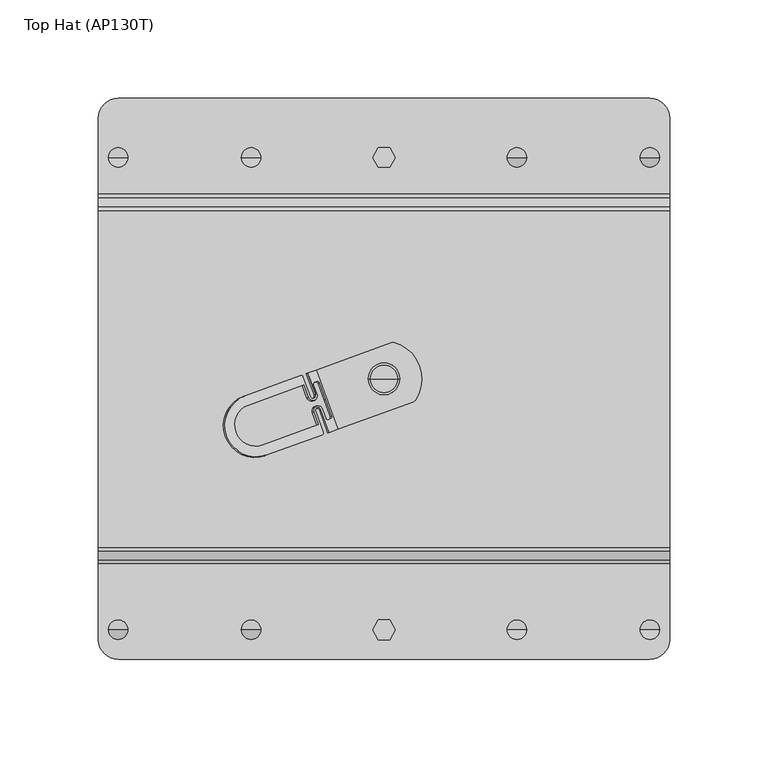
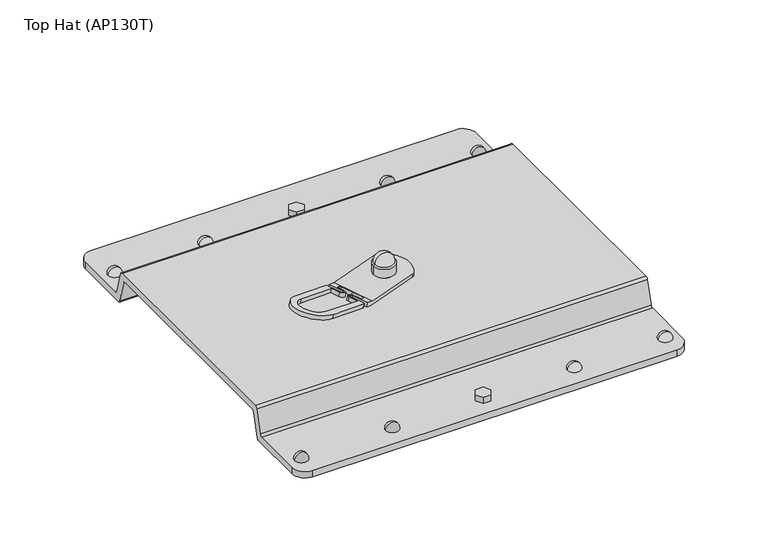
"""IFC4 building model written with IfcOpenShell, lengths in millimetres: proxy geometry, Top Hat (AP130T)."""

from ifc_helpers import new_model, si_unit, point, frame, origin, place, context, project, spatial, polyline, circle_curve, ellipse_curve, trimmed, outline, extrude, source, transform, mapped, element, save
from ifc_brep_helpers import plane_surface, cylinder_surface, revolved_surface, advanced_brep


def top_hat_ap130t_191c0f06(model_context):
    return source(origin(), model_context, "Body", "SolidModel", [
        advanced_brep(
        [(145.0, -82.198019, 0.0), (145.0, -80.2661674, 1.4823619), (145.0, -75.7015789, 18.5176381), (145.0, -73.7697272, 20.0), (145.0, 89.7697272, 20.0), (145.0, 91.7015789, 18.5176381), (145.0, 96.2661674, 1.4823619), (145.0, 98.198019, 0.0), (145.0, 140.5, 0.0), (145.0, 140.5, 5.0), (145.0, 102.034654, 5.0), (145.0, 100.1028023, 6.4823619), (145.0, 95.5382138, 23.5176381), (145.0, 93.6063622, 25.0), (145.0, -77.6063622, 25.0), (145.0, -79.5382138, 23.5176381), (145.0, -84.1028023, 6.4823619), (145.0, -86.034654, 5.0), (145.0, -124.5, 5.0), (145.0, -124.5, 0.0), (-145.0, -86.034654, 5.0), (-145.0, -84.1028023, 6.4823619), (-145.0, -79.5382138, 23.5176381), (-145.0, -77.6063622, 25.0), (-145.0, 93.6063622, 25.0), (-145.0, 95.5382138, 23.5176381), (-145.0, 100.1028023, 6.4823619), (-145.0, 102.034654, 5.0), (-145.0, 140.5, 5.0), (-145.0, 140.5, 0.0), (-145.0, 98.198019, 0.0), (-145.0, 96.2661674, 1.4823619), (-145.0, 91.7015789, 18.5176381), (-145.0, 89.7697272, 20.0), (-145.0, -73.7697272, 20.0), (-145.0, -75.7015789, 18.5176381), (-145.0, -80.2661674, 1.4823619), (-145.0, -82.198019, 0.0), (-145.0, -124.5, 0.0), (-145.0, -124.5, 5.0), (-135.0, -134.5, 5.0), (135.0, -134.5, 5.0), (-135.0, -134.5, 0.0), (135.0, -134.5, 0.0), (-135.0, 150.5, 0.0), (135.0, 150.5, 0.0), (-135.0, 150.5, 5.0), (135.0, 150.5, 5.0)],
        [
            (0, 1, circle_curve(frame((145.0, -82.198019, 2.0), z_axis=(1.0, 0.0, 0.0), x_axis=(0.0, 1.0, 0.0)), 2.0)),
            (1, 2),
            (2, 3, circle_curve(frame((145.0, -73.7697272, 18.0), z_axis=(-1.0, 0.0, 0.0), x_axis=(0.0, 1.0, 0.0)), 2.0)),
            (3, 4),
            (4, 5, circle_curve(frame((145.0, 89.7697272, 18.0), z_axis=(-1.0, 0.0, 0.0), x_axis=(0.0, 1.0, 0.0)), 2.0)),
            (5, 6),
            (6, 7, circle_curve(frame((145.0, 98.198019, 2.0), z_axis=(1.0, 0.0, 0.0), x_axis=(0.0, 1.0, 0.0)), 2.0)),
            (7, 8),
            (8, 9),
            (9, 10),
            (10, 11, circle_curve(frame((145.0, 102.034654, 7.0), z_axis=(-1.0, 0.0, 0.0), x_axis=(0.0, 1.0, 0.0)), 2.0)),
            (11, 12),
            (12, 13, circle_curve(frame((145.0, 93.6063622, 23.0), z_axis=(1.0, 0.0, 0.0), x_axis=(0.0, 1.0, 0.0)), 2.0)),
            (13, 14),
            (14, 15, circle_curve(frame((145.0, -77.6063622, 23.0), z_axis=(1.0, 0.0, 0.0), x_axis=(0.0, 1.0, 0.0)), 2.0)),
            (15, 16),
            (16, 17, circle_curve(frame((145.0, -86.034654, 7.0), z_axis=(-1.0, 0.0, 0.0), x_axis=(0.0, 1.0, 0.0)), 2.0)),
            (17, 18),
            (18, 19),
            (19, 0),
            (20, 21, circle_curve(frame((-145.0, -86.034654, 7.0), z_axis=(1.0, 0.0, 0.0), x_axis=(0.0, 1.0, 0.0)), 2.0)),
            (21, 22),
            (22, 23, circle_curve(frame((-145.0, -77.6063622, 23.0), z_axis=(-1.0, 0.0, 0.0), x_axis=(0.0, 1.0, 0.0)), 2.0)),
            (23, 24),
            (24, 25, circle_curve(frame((-145.0, 93.6063622, 23.0), z_axis=(-1.0, 0.0, 0.0), x_axis=(0.0, 1.0, 0.0)), 2.0)),
            (25, 26),
            (26, 27, circle_curve(frame((-145.0, 102.034654, 7.0), z_axis=(1.0, 0.0, 0.0), x_axis=(0.0, 1.0, 0.0)), 2.0)),
            (27, 28),
            (28, 29),
            (29, 30),
            (30, 31, circle_curve(frame((-145.0, 98.198019, 2.0), z_axis=(-1.0, 0.0, 0.0), x_axis=(0.0, 1.0, 0.0)), 2.0)),
            (31, 32),
            (32, 33, circle_curve(frame((-145.0, 89.7697272, 18.0), z_axis=(1.0, 0.0, 0.0), x_axis=(0.0, 1.0, 0.0)), 2.0)),
            (33, 34),
            (34, 35, circle_curve(frame((-145.0, -73.7697272, 18.0), z_axis=(1.0, 0.0, 0.0), x_axis=(0.0, 1.0, 0.0)), 2.0)),
            (35, 36),
            (36, 37, circle_curve(frame((-145.0, -82.198019, 2.0), z_axis=(-1.0, 0.0, 0.0), x_axis=(0.0, 1.0, 0.0)), 2.0)),
            (37, 38),
            (38, 39),
            (39, 20),
            (17, 20),
            (39, 40, circle_curve(frame((-135.0, -124.5, 5.0), z_axis=(0.0, 0.0, 1.0), x_axis=(1.0, 0.0, 0.0)), 10.0)),
            (40, 41),
            (41, 18, circle_curve(frame((135.0, -124.5, 5.0), z_axis=(0.0, 0.0, 1.0), x_axis=(1.0, 0.0, 0.0)), 10.0)),
            (40, 42),
            (42, 43),
            (43, 41),
            (37, 0),
            (19, 43, circle_curve(frame((135.0, -124.5, 0.0), z_axis=(0.0, 0.0, -1.0), x_axis=(1.0, 0.0, 0.0)), 10.0)),
            (42, 38, circle_curve(frame((-135.0, -124.5, 0.0), z_axis=(0.0, 0.0, -1.0), x_axis=(1.0, 0.0, 0.0)), 10.0)),
            (36, 1),
            (35, 2),
            (34, 3),
            (33, 4),
            (32, 5),
            (31, 6),
            (30, 7),
            (29, 44, circle_curve(frame((-135.0, 140.5, 0.0), z_axis=(0.0, 0.0, -1.0), x_axis=(1.0, 0.0, 0.0)), 10.0)),
            (44, 45),
            (45, 8, circle_curve(frame((135.0, 140.5, 0.0), z_axis=(0.0, 0.0, -1.0), x_axis=(1.0, 0.0, 0.0)), 10.0)),
            (44, 46),
            (46, 47),
            (47, 45),
            (27, 10),
            (9, 47, circle_curve(frame((135.0, 140.5, 5.0), z_axis=(0.0, 0.0, 1.0), x_axis=(1.0, 0.0, 0.0)), 10.0)),
            (46, 28, circle_curve(frame((-135.0, 140.5, 5.0), z_axis=(0.0, 0.0, 1.0), x_axis=(1.0, 0.0, 0.0)), 10.0)),
            (26, 11),
            (25, 12),
            (24, 13),
            (23, 14),
            (22, 15),
            (21, 16),
        ],
        [
            plane_surface(frame((145.0, -134.5, 5.0), z_axis=(1.0, 0.0, 0.0), x_axis=(0.0, -1.0, 0.0))),
            plane_surface(frame((-145.0, -134.5, 5.0), z_axis=(-1.0, 0.0, 0.0), x_axis=(0.0, 1.0, 0.0))),
            plane_surface(frame((145.0, -86.034654, 5.0), z_axis=(0.0, 0.0, 1.0), x_axis=(-1.0, 0.0, 0.0))),
            plane_surface(frame((145.0, -134.5, 5.0), z_axis=(0.0, -1.0, 0.0), x_axis=(-1.0, 0.0, 0.0))),
            plane_surface(frame((145.0, -134.5, 0.0), z_axis=(0.0, 0.0, -1.0), x_axis=(-1.0, 0.0, 0.0))),
            cylinder_surface(frame((-145.0, -82.198019, 2.0), z_axis=(1.0, 0.0, 0.0), x_axis=(0.0, 1.0, 0.0)), 2.0),
            plane_surface(frame((145.0, -80.2661674, 1.4823619), z_axis=(0.0, 0.9659258262890748, -0.2588190451024967), x_axis=(-1.0, 0.0, 0.0))),
            revolved_surface(polyline([(-145.0, -71.7697272, 18.0), (145.0, -71.7697272, 18.0)]), (-145.0, -73.7697272, 18.0), (-1.0, 0.0, 0.0)),
            plane_surface(frame((145.0, -73.7697272, 20.0), z_axis=(0.0, 0.0, -1.0), x_axis=(-1.0, 0.0, 0.0))),
            revolved_surface(polyline([(-145.0, 91.7697272, 18.0), (145.0, 91.7697272, 18.0)]), (-145.0, 89.7697272, 18.0), (-1.0, 0.0, 0.0)),
            plane_surface(frame((145.0, 91.7015789, 18.5176381), z_axis=(0.0, -0.9659258262891268, -0.2588190451023024), x_axis=(-1.0, 0.0, 0.0))),
            cylinder_surface(frame((-145.0, 98.198019, 2.0), z_axis=(1.0, 0.0, 0.0), x_axis=(0.0, 1.0, 0.0)), 2.0),
            plane_surface(frame((145.0, 98.198019, 0.0), z_axis=(0.0, 0.0, -1.0), x_axis=(-1.0, 0.0, 0.0))),
            plane_surface(frame((145.0, 150.5, 0.0), z_axis=(0.0, 1.0, 0.0), x_axis=(-1.0, 0.0, 0.0))),
            plane_surface(frame((145.0, 150.5, 5.0), z_axis=(0.0, 0.0, 1.0), x_axis=(-1.0, 0.0, 0.0))),
            revolved_surface(polyline([(-145.0, 104.034654, 7.0), (145.0, 104.034654, 7.0)]), (-145.0, 102.034654, 7.0), (-1.0, 0.0, 0.0)),
            plane_surface(frame((145.0, 100.1028023, 6.4823619), z_axis=(0.0, 0.96592582628907, 0.2588190451025149), x_axis=(-1.0, 0.0, 0.0))),
            cylinder_surface(frame((-145.0, 93.6063622, 23.0), z_axis=(1.0, 0.0, 0.0), x_axis=(0.0, 1.0, 0.0)), 2.0),
            plane_surface(frame((145.0, 93.6063622, 25.0), z_axis=(0.0, 0.0, 1.0), x_axis=(-1.0, 0.0, 0.0))),
            cylinder_surface(frame((-145.0, -77.6063622, 23.0), z_axis=(1.0, 0.0, 0.0), x_axis=(0.0, 1.0, 0.0)), 2.0),
            plane_surface(frame((145.0, -79.5382138, 23.5176381), z_axis=(0.0, -0.9659258262890676, 0.25881904510252335), x_axis=(-1.0, 0.0, 0.0))),
            revolved_surface(polyline([(-145.0, -84.034654, 7.0), (145.0, -84.034654, 7.0)]), (-145.0, -86.034654, 7.0), (-1.0, 0.0, 0.0)),
            cylinder_surface(frame((-135.0, 140.5, 5.0), z_axis=(0.0, 0.0, 1.0), x_axis=(1.0, 0.0, 0.0)), 10.0),
            cylinder_surface(frame((135.0, 140.5, 5.0), z_axis=(0.0, 0.0, 1.0), x_axis=(1.0, 0.0, 0.0)), 10.0),
            cylinder_surface(frame((-135.0, -124.5, 5.0), z_axis=(0.0, 0.0, 1.0), x_axis=(1.0, 0.0, 0.0)), 10.0),
            cylinder_surface(frame((135.0, -124.5, 5.0), z_axis=(0.0, 0.0, 1.0), x_axis=(1.0, 0.0, 0.0)), 10.0),
        ],
        [
            (0, [[1, 2, 3, 4, 5, 6, 7, 8, 9, 10, 11, 12, 13, 14, 15, 16, 17, 18, 19, 20]]),
            (1, [[21, 22, 23, 24, 25, 26, 27, 28, 29, 30, 31, 32, 33, 34, 35, 36, 37, 38, 39, 40]]),
            (2, [[41, -40, 42, 43, 44, -18]]),
            (3, [[-43, 45, 46, 47]]),
            (4, [[48, -20, 49, -46, 50, -38]]),
            (5, [[-1, -48, -37, 51]]),
            (6, [[-2, -51, -36, 52]]),
            (7, [[-3, -52, -35, 53]]),
            (8, [[-4, -53, -34, 54]]),
            (9, [[-5, -54, -33, 55]]),
            (10, [[-6, -55, -32, 56]]),
            (11, [[-7, -56, -31, 57]]),
            (12, [[-57, -30, 58, 59, 60, -8]]),
            (13, [[-59, 61, 62, 63]]),
            (14, [[64, -10, 65, -62, 66, -28]]),
            (15, [[-11, -64, -27, 67]]),
            (16, [[-12, -67, -26, 68]]),
            (17, [[-13, -68, -25, 69]]),
            (18, [[-14, -69, -24, 70]]),
            (19, [[-15, -70, -23, 71]]),
            (20, [[-16, -71, -22, 72]]),
            (21, [[-17, -72, -21, -41]]),
            (22, [[-29, -66, -61, -58]]),
            (23, [[-9, -60, -63, -65]]),
            (24, [[-39, -50, -45, -42]]),
            (25, [[-19, -44, -47, -49]]),
        ],
    ),
        advanced_brep(
        [(14.7843745, -3.6457721, 28.0), (15.7444666, -2.9051707, 28.0), (5.0526834, 26.4738022, 28.0), (3.8410114, 26.4240413, 28.0), (-34.2476637, 12.5608973, 28.0), (-23.3032816, -17.5085452, 28.0), (-8.0, 8.0, 28.0), (8.0, 8.0, 28.0), (14.7843745, -3.6457721, 25.0), (-23.3032816, -17.5085452, 25.0), (-34.2479262, 12.5616186, 25.0), (3.8410114, 26.4240413, 25.0), (5.0526834, 26.4738022, 25.0), (15.7444666, -2.9051707, 25.0), (-39.4781137, 10.6579861, 26.4806725), (-38.7708323, 10.9154154, 29.2896867), (-43.1105517, 9.3358868, 27.5090201), (-71.4845481, -0.9914034, 35.5417333), (-70.7618952, -0.7283792, 38.4117967), (-42.4015258, 9.5939511, 30.3249628), (-27.8261877, -19.1547484, 29.2896867), (-28.5334691, -19.4121778, 26.4806725), (-31.4568812, -20.4762128, 30.3249628), (-59.8172506, -30.7985431, 38.4117967), (-60.5399035, -31.0615672, 35.5417333), (-32.1659071, -20.7342771, 27.5090201), (-34.7738146, -0.0663005, 29.2896867), (-37.4968347, -1.0573988, 30.0661438), (-41.1518323, 8.9846246, 30.0661438), (-79.8123469, -21.0493186, 42.5529014), (-30.891228, -19.2061541, 30.0661438), (-34.7495197, -8.6055847, 30.0661438), (-32.0264996, -7.6144864, 29.2896867), (-32.8378152, 5.9418822, 28.2516076), (-29.7596339, -2.5153514, 28.2516076), (-26.6814526, -10.972585, 28.2516076), (-27.2471058, -12.2426437, 28.5104266), (-28.1646089, -12.5765875, 28.7720486), (-29.4143024, -11.9672609, 29.0308676), (-31.1188262, -7.2841203, 29.0308676), (-35.6571931, -8.9359507, 30.3249628), (-33.3702761, -15.2192036, 30.3249628), (-61.7306455, -25.5415339, 38.4117967), (-69.0517945, -5.4268423, 38.4117967), (-40.6914251, 4.895488, 30.3249628), (-38.4045081, -1.3877649, 30.3249628), (-33.8661412, 0.2640656, 29.0308676), (-35.570665, 4.9472062, 29.0308676), (-35.0050118, 6.2172649, 28.7720486), (-34.0875087, 6.5512087, 28.5104266), (-32.7337809, -7.8719157, 26.4806725), (-35.4581095, -8.8634902, 27.2519332), (-31.5998177, -19.4640596, 27.2519332), (-80.5419779, -21.3148826, 39.6551239), (-41.860422, 8.726719, 27.2519332), (-38.2054244, -1.3153044, 27.2519332), (-35.4810959, -0.3237299, 26.4806725), (-30.465166, -2.7721441, 25.4495407), (-33.5433473, 5.6850895, 25.4495407), (-34.7934769, 6.2942573, 25.7066276), (-35.7114209, 5.9601531, 25.9664986), (-36.2775102, 4.6899356, 26.2235856), (-34.5729864, 0.006795, 26.2235856), (-39.1135339, -1.6458292, 27.5090201), (-41.400451, 4.6374237, 27.5090201), (-69.7744474, -5.6898665, 35.5417333), (-62.4532984, -25.804558, 35.5417333), (-34.079302, -15.4772679, 27.5090201), (-36.366219, -9.1940151, 27.5090201), (-31.8256714, -7.5413909, 26.2235856), (-30.1211476, -12.2245316, 26.2235856), (-28.871018, -12.8336994, 25.9664986), (-27.9530741, -12.4995951, 25.7066276), (-27.3869847, -11.2293776, 25.4495407), (-8.0, 8.0, 34.5291044), (8.0, 8.0, 34.5291044), (-7.0, 8.0, 35.5291044), (7.0, 8.0, 35.5291044), (0.0, 8.0, 42.2894984)],
        [
            (0, 1, circle_curve(frame((14.1003342, -1.7663869, 28.0), z_axis=(0.0, 0.0, 1.0), x_axis=(-1.0, 0.0, 0.0)), 2.0)),
            (1, 2, circle_curve(frame((0.0, 8.0, 28.0), z_axis=(0.0, 0.0, 1.0), x_axis=(-1.0, 0.0, 0.0)), 19.15231)),
            (2, 3, circle_curve(frame((4.5250517, 24.5446561, 28.0), z_axis=(0.0, 0.0, 1.0), x_axis=(-1.0, 0.0, 0.0)), 2.0)),
            (3, 4),
            (4, 5),
            (5, 0),
            (6, 7, circle_curve(frame((0.0, 8.0, 28.0), z_axis=(0.0, 0.0, -1.0), x_axis=(-1.0, 0.0, 0.0)), 8.0)),
            (7, 6, circle_curve(frame((0.0, 8.0, 28.0), z_axis=(0.0, 0.0, -1.0), x_axis=(-1.0, 0.0, 0.0)), 8.0)),
            (8, 9),
            (9, 10),
            (10, 11),
            (11, 12, circle_curve(frame((4.5250517, 24.5446561, 25.0), z_axis=(0.0, 0.0, -1.0), x_axis=(-1.0, 0.0, 0.0)), 2.0)),
            (12, 13, circle_curve(frame((0.0, 8.0, 25.0), z_axis=(0.0, 0.0, -1.0), x_axis=(-1.0, 0.0, 0.0)), 19.15231)),
            (13, 8, circle_curve(frame((14.1003342, -1.7663869, 25.0), z_axis=(0.0, 0.0, -1.0), x_axis=(-1.0, 0.0, 0.0)), 2.0)),
            (1, 13),
            (12, 2),
            (0, 8),
            (11, 3),
            (10, 14),
            (14, 15),
            (15, 4),
            (16, 17),
            (17, 18),
            (18, 19),
            (19, 16),
            (5, 20),
            (20, 21),
            (21, 9),
            (22, 23),
            (23, 24),
            (24, 25),
            (25, 22),
            (15, 26),
            (26, 27, circle_curve(frame((-36.1353246, -0.5618497, 29.6779152), z_axis=(-0.2432103468017011, -0.08852132690137798, -0.9659258262890664), x_axis=(-0.9076733711903694, -0.3303660895493447, 0.25881904510252784)), 1.5)),
            (27, 28),
            (28, 19, circle_curve(frame((-42.0595057, 8.6542585, 30.3249628), z_axis=(0.2432103468017011, 0.08852132690137798, 0.9659258262890664), x_axis=(-0.9076733711903694, -0.3303660895493447, 0.25881904510252784)), 1.0)),
            (18, 29, circle_curve(frame((-65.2895729, -15.7634612, 38.4117967), z_axis=(0.2432103468017011, 0.08852132690137798, 0.9659258262890664), x_axis=(-0.9076733711903694, -0.3303660895493447, 0.25881904510252784)), 16.0)),
            (29, 23, circle_curve(frame((-65.2895729, -15.7634612, 38.4117967), z_axis=(0.2432103468017011, 0.08852132690137798, 0.9659258262890664), x_axis=(-0.9076733711903694, -0.3303660895493447, 0.25881904510252784)), 16.0)),
            (22, 30, circle_curve(frame((-31.7989014, -19.5365202, 30.3249628), z_axis=(0.2432103468017011, 0.08852132690137798, 0.9659258262890664), x_axis=(-0.9076733711903694, -0.3303660895493447, 0.25881904510252784)), 1.0)),
            (30, 31),
            (31, 32, circle_curve(frame((-33.3880097, -8.1100355, 29.6779152), z_axis=(-0.2432103468017011, -0.08852132690137798, -0.9659258262890664), x_axis=(-0.9076733711903694, -0.3303660895493447, 0.25881904510252784)), 1.5)),
            (32, 20),
            (33, 34),
            (34, 35),
            (35, 36, circle_curve(frame((-27.589126, -11.302951, 28.5104266), z_axis=(-0.2432103468017011, -0.08852132690137798, -0.9659258262890664), x_axis=(-0.9076733711903694, -0.3303660895493447, 0.25881904510252784)), 1.0)),
            (36, 37),
            (37, 38, circle_curve(frame((-28.5066291, -11.6368949, 28.7720486), z_axis=(-0.2432103468017011, -0.08852132690137798, -0.9659258262890664), x_axis=(-0.9076733711903694, -0.3303660895493447, 0.25881904510252784)), 1.0)),
            (38, 39),
            (39, 40, circle_curve(frame((-33.3880097, -8.1100355, 29.6779152), z_axis=(0.2432103468017011, 0.08852132690137798, 0.9659258262890664), x_axis=(-0.9076733711903694, -0.3303660895493447, 0.25881904510252784)), 2.5)),
            (40, 41),
            (41, 42),
            (42, 43, circle_curve(frame((-65.39122, -15.4841881, 38.4117967), z_axis=(-0.2432103468017011, -0.08852132690137798, -0.9659258262890664), x_axis=(-0.9076733711903694, -0.3303660895493447, 0.25881904510252784)), 10.7028038)),
            (43, 44),
            (44, 45),
            (45, 46, circle_curve(frame((-36.1353246, -0.5618497, 29.6779152), z_axis=(0.2432103468017011, 0.08852132690137798, 0.9659258262890664), x_axis=(-0.9076733711903694, -0.3303660895493447, 0.25881904510252784)), 2.5)),
            (46, 47),
            (47, 48, circle_curve(frame((-34.6629916, 5.2775723, 28.7720486), z_axis=(-0.2432103468017011, -0.08852132690137798, -0.9659258262890664), x_axis=(-0.9076733711903694, -0.3303660895493447, 0.25881904510252784)), 1.0)),
            (48, 49),
            (49, 33, circle_curve(frame((-33.7454886, 5.6115161, 28.5104266), z_axis=(-0.2432103468017011, -0.08852132690137798, -0.9659258262890664), x_axis=(-0.9076733711903694, -0.3303660895493447, 0.25881904510252784)), 1.0)),
            (21, 50),
            (50, 51, ellipse_curve(frame((-34.0959452, -8.367703, 26.8663028), z_axis=(0.241582287254047, 0.08792876168641896, 0.9663883957050583), x_axis=(0.9081080442571371, 0.3305242976073163, -0.25708650031977087)), 1.5000024, 1.5)),
            (51, 52),
            (52, 25, ellipse_curve(frame((-32.5079272, -19.7945845, 27.5090201), z_axis=(-0.241582287254047, -0.08792876168641896, -0.9663883957050583), x_axis=(-0.9081080442571371, -0.3305242976073163, 0.25708650031977087)), 1.0000016, 1.0)),
            (24, 53, ellipse_curve(frame((-66.0122258, -16.0264853, 35.5417333), z_axis=(-0.241582287254047, -0.08792876168641896, -0.9663883957050583), x_axis=(-0.9081080442571371, -0.3305242976073163, 0.25708650031977087)), 16.0000257, 16.0)),
            (53, 17, ellipse_curve(frame((-66.0122258, -16.0264853, 35.5417333), z_axis=(-0.241582287254047, -0.08792876168641896, -0.9663883957050583), x_axis=(-0.9081080442571371, -0.3305242976073163, 0.25708650031977087)), 16.0000257, 16.0)),
            (16, 54, ellipse_curve(frame((-42.7685315, 8.3961941, 27.5090201), z_axis=(-0.241582287254047, -0.08792876168641896, -0.9663883957050583), x_axis=(-0.9081080442571371, -0.3305242976073163, 0.25708650031977087)), 1.0000016, 1.0)),
            (54, 55),
            (55, 56, ellipse_curve(frame((-36.8432602, -0.8195171, 26.8663028), z_axis=(0.241582287254047, 0.08792876168641896, 0.9663883957050583), x_axis=(0.9081080442571371, 0.3305242976073163, -0.25708650031977087)), 1.5000024, 1.5)),
            (56, 14),
            (57, 58),
            (58, 59, ellipse_curve(frame((-34.4514568, 5.3545647, 25.7066276), z_axis=(0.241582287254047, 0.08792876168641896, 0.9663883957050583), x_axis=(0.9081080442571371, 0.3305242976073163, -0.25708650031977087)), 1.0000016, 1.0)),
            (59, 60),
            (60, 61, ellipse_curve(frame((-35.3694007, 5.0204604, 25.9664986), z_axis=(0.241582287254047, 0.08792876168641896, 0.9663883957050583), x_axis=(0.9081080442571371, 0.3305242976073163, -0.25708650031977087)), 1.0000016, 1.0)),
            (61, 62),
            (62, 63, ellipse_curve(frame((-36.8432602, -0.8195171, 26.8663028), z_axis=(-0.241582287254047, -0.08792876168641896, -0.9663883957050583), x_axis=(-0.9081080442571371, -0.3305242976073163, 0.25708650031977087)), 2.500004, 2.5)),
            (63, 64),
            (64, 65),
            (65, 66, ellipse_curve(frame((-66.1138729, -15.7472123, 35.5417333), z_axis=(0.241582287254047, 0.08792876168641896, 0.9663883957050583), x_axis=(0.9081080442571371, 0.3305242976073163, -0.25708650031977087)), 10.702821, 10.7028038)),
            (66, 67),
            (67, 68),
            (68, 69, ellipse_curve(frame((-34.0959452, -8.367703, 26.8663028), z_axis=(-0.241582287254047, -0.08792876168641896, -0.9663883957050583), x_axis=(-0.9081080442571371, -0.3305242976073163, 0.25708650031977087)), 2.500004, 2.5)),
            (69, 70),
            (70, 71, ellipse_curve(frame((-29.2130381, -11.8940067, 25.9664986), z_axis=(0.241582287254047, 0.08792876168641896, 0.9663883957050583), x_axis=(0.9081080442571371, 0.3305242976073163, -0.25708650031977087)), 1.0000016, 1.0)),
            (71, 72),
            (72, 73, ellipse_curve(frame((-28.2950942, -11.5599025, 25.7066276), z_axis=(0.241582287254047, 0.08792876168641896, 0.9663883957050583), x_axis=(0.9081080442571371, 0.3305242976073163, -0.25708650031977087)), 1.0000016, 1.0)),
            (73, 57),
            (57, 34),
            (33, 58),
            (59, 49),
            (48, 60),
            (61, 47),
            (46, 62),
            (45, 63),
            (44, 64),
            (43, 65),
            (67, 41),
            (40, 68),
            (39, 69),
            (38, 70),
            (71, 37),
            (36, 72),
            (73, 35),
            (54, 28),
            (27, 55),
            (26, 56),
            (32, 50),
            (31, 51),
            (30, 52),
            (66, 42),
            (74, 75, circle_curve(frame((0.0, 8.0, 34.5291044), z_axis=(0.0, 0.0, -1.0), x_axis=(-1.0, 0.0, 0.0)), 8.0)),
            (75, 7),
            (6, 74),
            (75, 74, circle_curve(frame((0.0, 8.0, 34.5291044), z_axis=(0.0, 0.0, -1.0), x_axis=(-1.0, 0.0, 0.0)), 8.0)),
            (74, 76, circle_curve(frame((-7.0, 8.0, 34.5291044), z_axis=(0.0, 1.0, 0.0), x_axis=(1.0, 0.0, 0.0)), 1.0)),
            (76, 77, circle_curve(frame((0.0, 8.0, 35.5291044), z_axis=(0.0, 0.0, -1.0), x_axis=(-1.0, 0.0, 0.0)), 7.0)),
            (77, 75, circle_curve(frame((7.0, 8.0, 34.5291044), z_axis=(0.0, 1.0, 0.0), x_axis=(-1.0, 0.0, 0.0)), 1.0)),
            (77, 76, circle_curve(frame((0.0, 8.0, 35.5291044), z_axis=(0.0, 0.0, -1.0), x_axis=(-1.0, 0.0, 0.0)), 7.0)),
            (76, 78, circle_curve(frame((-0.2355052, 8.0, 35.5291044), z_axis=(0.0, 1.0, 0.0), x_axis=(1.0, 0.0, 0.0)), 6.7644948)),
            (78, 77, circle_curve(frame((0.2355052, 8.0, 35.5291044), z_axis=(0.0, 1.0, 0.0), x_axis=(-1.0, 0.0, 0.0)), 6.7644948)),
        ],
        [
            plane_surface(frame((12.1003342, -1.7663869, 28.0), z_axis=(0.0, 0.0, 1.0), x_axis=(0.0, -1.0, 0.0))),
            plane_surface(frame((12.1003342, -1.7663869, 25.0), z_axis=(0.0, 0.0, -1.0), x_axis=(0.0, 1.0, 0.0))),
            cylinder_surface(frame((0.0, 8.0, 25.0), z_axis=(0.0, 0.0, 1.0), x_axis=(-1.0, 0.0, 0.0)), 19.15231),
            cylinder_surface(frame((14.1003342, -1.7663869, 25.0), z_axis=(0.0, 0.0, 1.0), x_axis=(-1.0, 0.0, 0.0)), 2.0),
            cylinder_surface(frame((4.5250517, 24.5446561, 25.0), z_axis=(0.0, 0.0, 1.0), x_axis=(-1.0, 0.0, 0.0)), 2.0),
            plane_surface(frame((-34.2479262, 12.5616186, 28.0), z_axis=(-0.34202014332566183, 0.939692620785911, 0.0), x_axis=(0.0, 0.0, -1.0))),
            plane_surface(frame((-23.3032816, -17.5085452, 28.0), z_axis=(0.34202014332566183, -0.939692620785911, 0.0), x_axis=(0.0, 0.0, 1.0))),
            plane_surface(frame((-23.3032816, -17.5085452, 28.0), z_axis=(0.24321034680170112, 0.08852132690137798, 0.9659258262890665), x_axis=(-0.3420201433256618, 0.939692620785911, 0.0))),
            plane_surface(frame((-75.0696556, -36.3499645, 39.6551239), z_axis=(-0.241582287254047, -0.08792876168641896, -0.9663883957050583), x_axis=(-0.34202014332566166, 0.9396926207859111, 0.0))),
            plane_surface(frame((-28.8097871, -2.1696354, 32.0239864), z_axis=(-0.9076733711903692, -0.33036608954934527, 0.25881904510252796), x_axis=(-0.24321034680170123, -0.08852132690137797, -0.9659258262890664))),
            plane_surface(frame((-33.1376619, 6.8969247, 32.2828054), z_axis=(0.3420201433256471, -0.9396926207859164, 0.0), x_axis=(-0.24321034680170123, -0.08852132690137797, -0.9659258262890664))),
            plane_surface(frame((-34.6208182, 5.2929222, 32.8032464), z_axis=(0.9076733711903667, 0.3303660895493522, -0.25881904510252796), x_axis=(-0.24321034680170123, -0.08852132690137797, -0.9659258262890664))),
            cylinder_surface(frame((-38.2377304, -1.3270628, 21.3280732), z_axis=(-0.2432103468017011, -0.08852132690137798, -0.9659258262890664), x_axis=(-0.9076733711903694, -0.3303660895493447, 0.25881904510252784)), 2.5),
            plane_surface(frame((-37.4546613, -1.0420489, 34.0973416), z_axis=(-0.9076733711903692, -0.3303660895493453, 0.258819045102528), x_axis=(-0.24321034680170123, -0.08852132690137797, -0.9659258262890664))),
            plane_surface(frame((-39.7415783, 5.2412039, 34.0973416), z_axis=(0.3420201433256614, -0.9396926207859113, 0.0), x_axis=(-0.24321034680170123, -0.08852132690137797, -0.9659258262890664))),
            plane_surface(frame((-32.4204293, -14.8734876, 34.0973416), z_axis=(-0.9076733711903738, -0.3303660895493328, 0.25881904510252796), x_axis=(-0.24321034680170123, -0.0885213269013778, -0.9659258262890664))),
            cylinder_surface(frame((-35.4904154, -8.8752486, 21.3280732), z_axis=(-0.2432103468017011, -0.08852132690137798, -0.9659258262890664), x_axis=(-0.9076733711903694, -0.3303660895493447, 0.25881904510252784)), 2.5),
            plane_surface(frame((-30.1689794, -6.9384043, 32.8032464), z_axis=(0.9076733711903776, 0.3303660895493221, -0.25881904510252784), x_axis=(-0.24321034680170114, -0.08852132690137778, -0.9659258262890664))),
            plane_surface(frame((-27.2147621, -12.2308715, 32.5444274), z_axis=(-0.3420201433256593, 0.939692620785912, 0.0), x_axis=(-0.2432103468017012, -0.08852132690137814, -0.9659258262890663))),
            plane_surface(frame((-25.7316058, -10.626869, 32.0239864), z_axis=(-0.9076733711903692, -0.33036608954934477, 0.258819045102528), x_axis=(-0.2432103468017012, -0.08852132690137814, -0.9659258262890663))),
            plane_surface(frame((-40.2019855, 9.3303405, 33.8385226), z_axis=(0.9076733711903712, 0.3303660895493399, -0.25881904510252796), x_axis=(-0.24321034680170123, -0.08852132690137797, -0.9659258262890664))),
            revolved_surface(polyline([(-37.49683464283709, -1.057398829247192, 30.06614382305102), (-38.20542440394458, -1.315304410596115, 27.251933163437172)]), (-36.1353246, -0.5618497, 29.6779152), (0.2432103468017011, 0.08852132690137798, 0.9659258262890664)),
            plane_surface(frame((-33.8239678, 0.2794154, 33.0620655), z_axis=(-0.9076733711903693, -0.3303660895493448, 0.25881904510252796), x_axis=(-0.24321034680170123, -0.08852132690137797, -0.9659258262890664))),
            plane_surface(frame((-26.8763409, -18.8090325, 33.0620655), z_axis=(-0.9076733711903691, -0.330366089549345, 0.258819045102528), x_axis=(-0.2432103468017012, -0.08852132690137814, -0.9659258262890663))),
            revolved_surface(polyline([(-34.74951973907489, -8.605584627877866, 30.066143837992836), (-35.45810950018239, -8.863490209226788, 27.251933178378984)]), (-33.3880097, -8.1100355, 29.6779152), (0.2432103468017011, 0.08852132690137798, 0.9659258262890664)),
            plane_surface(frame((-33.7996729, -8.2598687, 33.8385226), z_axis=(0.9076733711903725, 0.3303660895493359, -0.25881904510252796), x_axis=(-0.24321034680170123, -0.08852132690137797, -0.9659258262890664))),
            cylinder_surface(frame((-42.0595057, 8.6542585, 30.3249628), z_axis=(-0.2432103468017011, -0.08852132690137798, -0.9659258262890664), x_axis=(-0.9076733711903694, -0.3303660895493447, 0.25881904510252784)), 1.0),
            cylinder_surface(frame((-31.7989014, -19.5365202, 30.3249628), z_axis=(-0.2432103468017011, -0.08852132690137798, -0.9659258262890664), x_axis=(-0.9076733711903694, -0.3303660895493447, 0.25881904510252784)), 1.0),
            revolved_surface(polyline([(-34.65316195315972, 5.281150012164863, 28.769245693719736), (-35.359566308488425, 5.024039853469212, 25.96371451633356)]), (-35.8478943, 4.846303, 20.1605846), (0.2432103468017011, 0.08852132690137798, 0.9659258262890664)),
            revolved_surface(polyline([(-35.57066503627702, 4.947206218309661, 29.030867660770458), (-36.27751026477497, 4.689935594903319, 26.223585526708757)]), (-36.7653974, 4.5123592, 20.4222065), (0.2432103468017011, 0.08852132690137798, 0.9659258262890664)),
            revolved_surface(polyline([(-29.414302438392284, -11.967260982460232, 29.030867652369558), (-30.121147662622043, -12.224531604313079, 26.22358553525926)]), (-30.6090348, -12.402108, 20.4222065), (0.2432103468017011, 0.08852132690137798, 0.9659258262890664)),
            revolved_surface(polyline([(-28.496799353159716, -11.633317187835138, 28.769245693719736), (-29.20320370848842, -11.890427346530789, 25.96371451633356)]), (-29.6915317, -12.0681642, 20.1605846), (0.2432103468017011, 0.08852132690137798, 0.9659258262890664)),
            cylinder_surface(frame((-65.2895729, -15.7634612, 38.4117967), z_axis=(-0.2432103468017011, -0.08852132690137798, -0.9659258262890664), x_axis=(-0.9076733711903694, -0.3303660895493447, 0.25881904510252784)), 16.0),
            plane_surface(frame((-60.7807987, -25.1958179, 42.1841755), z_axis=(-0.34202014332566194, 0.9396926207859111, 0.0), x_axis=(-0.2432103468017006, -0.08852132690137816, -0.9659258262890666))),
            revolved_surface(polyline([(-75.10586997692741, -19.020031532764765, 41.18188615323749), (-75.83319074096147, -19.284754641636912, 38.29328408833602)]), (-67.4936257, -16.2494012, 30.0619546), (0.2432103468017011, 0.08852132690137798, 0.9659258262890664)),
            cylinder_surface(frame((0.0, 8.0, 50.0), z_axis=(0.0, 0.0, -1.0), x_axis=(-1.0, 0.0, 0.0)), 8.0),
            revolved_surface(trimmed(ellipse_curve(frame((-7.0, 8.0, 34.5291044), z_axis=(0.0, -1.0, 0.0), x_axis=(1.0, 0.0, 0.0)), 1.0, 1.0), [point((-7.0, 8.0, 35.5291044))], [point((-8.0, 8.0, 34.5291044))], True, "CARTESIAN"), (0.0, 8.0, 50.0), (0.0, 0.0, -1.0)),
            revolved_surface(trimmed(ellipse_curve(frame((-0.2355052, 8.0, 35.5291044), z_axis=(0.0, -1.0, 0.0), x_axis=(1.0, 0.0, 0.0)), 6.7644948, 6.7644948), [point((0.0, 8.0, 42.2894984))], [point((-7.0, 8.0, 35.5291044))], True, "CARTESIAN"), (0.0, 8.0, 50.0), (0.0, 0.0, -1.0)),
        ],
        [
            (0, [[1, 2, 3, 4, 5, 6], [7, 8]]),
            (1, [[9, 10, 11, 12, 13, 14]]),
            (2, [[-2, 15, -13, 16]]),
            (3, [[-1, 17, -14, -15]]),
            (4, [[-3, -16, -12, 18]]),
            (5, [[19, 20, 21, -4, -18, -11]]),
            (5, [[22, 23, 24, 25]]),
            (6, [[26, 27, 28, -9, -17, -6]]),
            (6, [[29, 30, 31, 32]]),
            (7, [[-21, 33, 34, 35, 36, -24, 37, 38, -29, 39, 40, 41, 42, -26, -5], [43, 44, 45, 46, 47, 48, 49, 50, 51, 52, 53, 54, 55, 56, 57, 58, 59]]),
            (8, [[-19, -10, -28, 60, 61, 62, 63, -31, 64, 65, -22, 66, 67, 68, 69], [70, 71, 72, 73, 74, 75, 76, 77, 78, 79, 80, 81, 82, 83, 84, 85, 86]]),
            (9, [[87, -43, 88, -70]]),
            (10, [[89, -58, 90, -72]]),
            (11, [[91, -56, 92, -74]]),
            (12, [[-92, -55, 93, -75]]),
            (13, [[-93, -54, 94, -76]]),
            (14, [[-94, -53, 95, -77]]),
            (15, [[96, -50, 97, -80]]),
            (16, [[-97, -49, 98, -81]]),
            (17, [[-98, -48, 99, -82]]),
            (18, [[100, -46, 101, -84]]),
            (19, [[-87, -86, 102, -44]]),
            (20, [[103, -35, 104, -67]]),
            (21, [[-104, -34, 105, -68]]),
            (22, [[-105, -33, -20, -69]]),
            (23, [[106, -60, -27, -42]]),
            (24, [[-106, -41, 107, -61]]),
            (25, [[-107, -40, 108, -62]]),
            (26, [[-103, -66, -25, -36]]),
            (27, [[-108, -39, -32, -63]]),
            (28, [[-89, -71, -88, -59]]),
            (29, [[-91, -73, -90, -57]]),
            (30, [[-100, -83, -99, -47]]),
            (31, [[-102, -85, -101, -45]]),
            (32, [[-23, -65, -64, -30, -38, -37]]),
            (33, [[-96, -79, 109, -51]]),
            (34, [[-109, -78, -95, -52]]),
            (35, [[110, 111, -7, 112]]),
            (35, [[113, -112, -8, -111]]),
            (36, [[-110, 114, 115, 116]]),
            (36, [[-113, -116, 117, -114]]),
            (37, [[-115, 118, 119]]),
            (37, [[-117, -119, -118]]),
        ],
    ),
        extrude(outline(polyline([(5.7735027, 120.5), (2.8867513, 115.5), (-2.8867513, 115.5), (-5.7735027, 120.5), (-2.8867513, 125.5), (2.8867513, 125.5), (5.7735027, 120.5)])), frame((0.0, 0.0, 5.0), z_axis=(0.0, 0.0, 1.0), x_axis=(1.0, 0.0, 0.0)), (0.0, 0.0, 1.0), 5.0),
        extrude(outline(polyline([(5.7735027, -119.5), (2.8867513, -124.5), (-2.8867513, -124.5), (-5.7735027, -119.5), (-2.8867513, -114.5), (2.8867513, -114.5), (5.7735027, -119.5)])), frame((0.0, 0.0, 5.0), z_axis=(0.0, 0.0, 1.0), x_axis=(1.0, 0.0, 0.0)), (0.0, 0.0, 1.0), 5.0),
        advanced_brep(
        [(62.5001481, -119.5, 5.0), (72.4998519, -119.5, 5.0), (67.5, -119.5, 10.0384785), (67.5, -119.5, 5.0)],
        [
            (0, 1, circle_curve(frame((67.5, -119.5, 5.0), z_axis=(0.0, 0.0, 1.0), x_axis=(1.0, 0.0, 0.0)), 4.9998519)),
            (1, 2, circle_curve(frame((67.5, -119.5, 5.0384785), z_axis=(0.0, -1.0, 0.0), x_axis=(-1.0, 0.0, 0.0)), 5.0)),
            (2, 0, circle_curve(frame((67.5, -119.5, 5.0384785), z_axis=(0.0, -1.0, 0.0), x_axis=(1.0, 0.0, 0.0)), 5.0)),
            (1, 0, circle_curve(frame((67.5, -119.5, 5.0), z_axis=(0.0, 0.0, 1.0), x_axis=(1.0, 0.0, 0.0)), 4.9998519)),
            (3, 1),
            (0, 3),
        ],
        [
            revolved_surface(trimmed(ellipse_curve(frame((67.5, -119.5, 5.0384785), z_axis=(0.0, 1.0, 0.0), x_axis=(-1.0, 0.0, 0.0)), 5.0, 5.0), [point((67.5, -119.5, 10.0384785))], [point((72.4998519, -119.5, 5.0))], True, "CARTESIAN"), (67.5, -119.5, 500.0), (0.0, 0.0, -1.0)),
            plane_surface(frame((67.5, -119.5, 5.0), z_axis=(0.0, 0.0, -1.0), x_axis=(1.0, 0.0, 0.0))),
        ],
        [
            (0, [[1, 2, 3]]),
            (0, [[4, -3, -2]]),
            (1, [[5, -1, 6]]),
            (1, [[-6, -4, -5]]),
        ],
    ),
        advanced_brep(
        [(-67.5, -119.5, 10.0384785), (-72.4998519, -119.5, 5.0), (-62.5001481, -119.5, 5.0), (-67.5, -119.5, 5.0)],
        [
            (0, 1, circle_curve(frame((-67.5, -119.5, 5.0384785), z_axis=(0.0, -1.0, 0.0), x_axis=(-1.0, 0.0, 0.0)), 5.0)),
            (1, 2, circle_curve(frame((-67.5, -119.5, 5.0), z_axis=(0.0, 0.0, 1.0), x_axis=(-1.0, 0.0, 0.0)), 4.9998519)),
            (2, 0, circle_curve(frame((-67.5, -119.5, 5.0384785), z_axis=(0.0, -1.0, 0.0), x_axis=(1.0, 0.0, 0.0)), 5.0)),
            (2, 1, circle_curve(frame((-67.5, -119.5, 5.0), z_axis=(0.0, 0.0, 1.0), x_axis=(-1.0, 0.0, 0.0)), 4.9998519)),
            (1, 3),
            (3, 2),
        ],
        [
            revolved_surface(trimmed(ellipse_curve(frame((-67.5, -119.5, 5.0384785), z_axis=(0.0, 1.0, 0.0), x_axis=(-1.0, 0.0, 0.0)), 5.0, 5.0), [point((-72.4998519, -119.5, 5.0))], [point((-67.5, -119.5, 10.0384785))], True, "CARTESIAN"), (-67.5, -119.5, 500.0), (0.0, 0.0, 1.0)),
            plane_surface(frame((-67.5, -119.5, 5.0), z_axis=(0.0, 0.0, -1.0), x_axis=(-1.0, 0.0, 0.0))),
        ],
        [
            (0, [[1, 2, 3]]),
            (0, [[-3, 4, -1]]),
            (1, [[-2, 5, 6]]),
            (1, [[-4, -6, -5]]),
        ],
    ),
        advanced_brep(
        [(130.0001481, -119.5, 5.0), (139.9998519, -119.5, 5.0), (135.0, -119.5, 10.0384785), (135.0, -119.5, 5.0)],
        [
            (0, 1, circle_curve(frame((135.0, -119.5, 5.0), z_axis=(0.0, 0.0, 1.0), x_axis=(1.0, 0.0, 0.0)), 4.9998519)),
            (1, 2, circle_curve(frame((135.0, -119.5, 5.0384785), z_axis=(0.0, -1.0, 0.0), x_axis=(-1.0, 0.0, 0.0)), 5.0)),
            (2, 0, circle_curve(frame((135.0, -119.5, 5.0384785), z_axis=(0.0, -1.0, 0.0), x_axis=(1.0, 0.0, 0.0)), 5.0)),
            (1, 0, circle_curve(frame((135.0, -119.5, 5.0), z_axis=(0.0, 0.0, 1.0), x_axis=(1.0, 0.0, 0.0)), 4.9998519)),
            (3, 1),
            (0, 3),
        ],
        [
            revolved_surface(trimmed(ellipse_curve(frame((135.0, -119.5, 5.0384785), z_axis=(0.0, 1.0, 0.0), x_axis=(-1.0, 0.0, 0.0)), 5.0, 5.0), [point((135.0, -119.5, 10.0384785))], [point((139.9998519, -119.5, 5.0))], True, "CARTESIAN"), (135.0, -119.5, 0.0), (0.0, 0.0, -1.0)),
            plane_surface(frame((135.0, -119.5, 5.0), z_axis=(0.0, 0.0, -1.0), x_axis=(1.0, 0.0, 0.0))),
        ],
        [
            (0, [[1, 2, 3]]),
            (0, [[4, -3, -2]]),
            (1, [[5, -1, 6]]),
            (1, [[-6, -4, -5]]),
        ],
    ),
        advanced_brep(
        [(-135.0, -119.5, 10.0384785), (-139.9998519, -119.5, 5.0), (-130.0001481, -119.5, 5.0), (-135.0, -119.5, 5.0)],
        [
            (0, 1, circle_curve(frame((-135.0, -119.5, 5.0384785), z_axis=(0.0, -1.0, 0.0), x_axis=(-1.0, 0.0, 0.0)), 5.0)),
            (1, 2, circle_curve(frame((-135.0, -119.5, 5.0), z_axis=(0.0, 0.0, 1.0), x_axis=(-1.0, 0.0, 0.0)), 4.9998519)),
            (2, 0, circle_curve(frame((-135.0, -119.5, 5.0384785), z_axis=(0.0, -1.0, 0.0), x_axis=(1.0, 0.0, 0.0)), 5.0)),
            (2, 1, circle_curve(frame((-135.0, -119.5, 5.0), z_axis=(0.0, 0.0, 1.0), x_axis=(-1.0, 0.0, 0.0)), 4.9998519)),
            (1, 3),
            (3, 2),
        ],
        [
            revolved_surface(trimmed(ellipse_curve(frame((-135.0, -119.5, 5.0384785), z_axis=(0.0, 1.0, 0.0), x_axis=(-1.0, 0.0, 0.0)), 5.0, 5.0), [point((-139.9998519, -119.5, 5.0))], [point((-135.0, -119.5, 10.0384785))], True, "CARTESIAN"), (-135.0, -119.5, 0.0), (0.0, 0.0, 1.0)),
            plane_surface(frame((-135.0, -119.5, 5.0), z_axis=(0.0, 0.0, -1.0), x_axis=(-1.0, 0.0, 0.0))),
        ],
        [
            (0, [[1, 2, 3]]),
            (0, [[-3, 4, -1]]),
            (1, [[-2, 5, 6]]),
            (1, [[-4, -6, -5]]),
        ],
    ),
        advanced_brep(
        [(67.5, 120.5, 10.0384785), (72.4998519, 120.5, 5.0), (62.5001481, 120.5, 5.0), (67.5, 120.5, 5.0)],
        [
            (0, 1, circle_curve(frame((67.5, 120.5, 5.0384785), z_axis=(0.0, 1.0, 0.0), x_axis=(1.0, 0.0, 0.0)), 5.0)),
            (1, 2, circle_curve(frame((67.5, 120.5, 5.0), z_axis=(0.0, 0.0, 1.0), x_axis=(1.0, 0.0, 0.0)), 4.9998519)),
            (2, 0, circle_curve(frame((67.5, 120.5, 5.0384785), z_axis=(0.0, 1.0, 0.0), x_axis=(-1.0, 0.0, 0.0)), 5.0)),
            (2, 1, circle_curve(frame((67.5, 120.5, 5.0), z_axis=(0.0, 0.0, 1.0), x_axis=(1.0, 0.0, 0.0)), 4.9998519)),
            (1, 3),
            (3, 2),
        ],
        [
            revolved_surface(trimmed(ellipse_curve(frame((67.5, 120.5, 5.0384785), z_axis=(0.0, -1.0, 0.0), x_axis=(1.0, 0.0, 0.0)), 5.0, 5.0), [point((72.4998519, 120.5, 5.0))], [point((67.5, 120.5, 10.0384785))], True, "CARTESIAN"), (67.5, 120.5, 0.0), (0.0, 0.0, 1.0)),
            plane_surface(frame((67.5, 120.5, 5.0), z_axis=(0.0, 0.0, -1.0), x_axis=(1.0, 0.0, 0.0))),
        ],
        [
            (0, [[1, 2, 3]]),
            (0, [[-3, 4, -1]]),
            (1, [[-2, 5, 6]]),
            (1, [[-4, -6, -5]]),
        ],
    ),
        advanced_brep(
        [(-62.5001481, 120.5, 5.0), (-72.4998519, 120.5, 5.0), (-67.5, 120.5, 10.0384785), (-67.5, 120.5, 5.0)],
        [
            (0, 1, circle_curve(frame((-67.5, 120.5, 5.0), z_axis=(0.0, 0.0, 1.0), x_axis=(-1.0, 0.0, 0.0)), 4.9998519)),
            (1, 2, circle_curve(frame((-67.5, 120.5, 5.0384785), z_axis=(0.0, 1.0, 0.0), x_axis=(-1.0, 0.0, 0.0)), 5.0)),
            (2, 0, circle_curve(frame((-67.5, 120.5, 5.0384785), z_axis=(0.0, 1.0, 0.0), x_axis=(1.0, 0.0, 0.0)), 5.0)),
            (1, 0, circle_curve(frame((-67.5, 120.5, 5.0), z_axis=(0.0, 0.0, 1.0), x_axis=(-1.0, 0.0, 0.0)), 4.9998519)),
            (3, 1),
            (0, 3),
        ],
        [
            revolved_surface(trimmed(ellipse_curve(frame((-67.5, 120.5, 5.0384785), z_axis=(0.0, -1.0, 0.0), x_axis=(-1.0, 0.0, 0.0)), 5.0, 5.0), [point((-67.5, 120.5, 10.0384785))], [point((-72.4998519, 120.5, 5.0))], True, "CARTESIAN"), (-67.5, 120.5, 0.0), (0.0, 0.0, -1.0)),
            plane_surface(frame((-67.5, 120.5, 5.0), z_axis=(0.0, 0.0, -1.0), x_axis=(-1.0, 0.0, 0.0))),
        ],
        [
            (0, [[1, 2, 3]]),
            (0, [[4, -3, -2]]),
            (1, [[5, -1, 6]]),
            (1, [[-6, -4, -5]]),
        ],
    ),
        advanced_brep(
        [(135.0, 120.5, 10.0384785), (139.9998519, 120.5, 5.0), (130.0001481, 120.5, 5.0), (135.0, 120.5, 5.0)],
        [
            (0, 1, circle_curve(frame((135.0, 120.5, 5.0384785), z_axis=(0.0, 1.0, 0.0), x_axis=(1.0, 0.0, 0.0)), 5.0)),
            (1, 2, circle_curve(frame((135.0, 120.5, 5.0), z_axis=(0.0, 0.0, 1.0), x_axis=(1.0, 0.0, 0.0)), 4.9998519)),
            (2, 0, circle_curve(frame((135.0, 120.5, 5.0384785), z_axis=(0.0, 1.0, 0.0), x_axis=(-1.0, 0.0, 0.0)), 5.0)),
            (2, 1, circle_curve(frame((135.0, 120.5, 5.0), z_axis=(0.0, 0.0, 1.0), x_axis=(1.0, 0.0, 0.0)), 4.9998519)),
            (1, 3),
            (3, 2),
        ],
        [
            revolved_surface(trimmed(ellipse_curve(frame((135.0, 120.5, 5.0384785), z_axis=(0.0, -1.0, 0.0), x_axis=(1.0, 0.0, 0.0)), 5.0, 5.0), [point((139.9998519, 120.5, 5.0))], [point((135.0, 120.5, 10.0384785))], True, "CARTESIAN"), (135.0, 120.5, 0.0), (0.0, 0.0, 1.0)),
            plane_surface(frame((135.0, 120.5, 5.0), z_axis=(0.0, 0.0, -1.0), x_axis=(1.0, 0.0, 0.0))),
        ],
        [
            (0, [[1, 2, 3]]),
            (0, [[-3, 4, -1]]),
            (1, [[-2, 5, 6]]),
            (1, [[-4, -6, -5]]),
        ],
    ),
        advanced_brep(
        [(-130.0001481, 120.5, 5.0), (-139.9998519, 120.5, 5.0), (-135.0, 120.5, 10.0384785), (-135.0, 120.5, 5.0)],
        [
            (0, 1, circle_curve(frame((-135.0, 120.5, 5.0), z_axis=(0.0, 0.0, 1.0), x_axis=(-1.0, 0.0, 0.0)), 4.9998519)),
            (1, 2, circle_curve(frame((-135.0, 120.5, 5.0384785), z_axis=(0.0, 1.0, 0.0), x_axis=(-1.0, 0.0, 0.0)), 5.0)),
            (2, 0, circle_curve(frame((-135.0, 120.5, 5.0384785), z_axis=(0.0, 1.0, 0.0), x_axis=(1.0, 0.0, 0.0)), 5.0)),
            (1, 0, circle_curve(frame((-135.0, 120.5, 5.0), z_axis=(0.0, 0.0, 1.0), x_axis=(-1.0, 0.0, 0.0)), 4.9998519)),
            (3, 1),
            (0, 3),
        ],
        [
            revolved_surface(trimmed(ellipse_curve(frame((-135.0, 120.5, 5.0384785), z_axis=(0.0, -1.0, 0.0), x_axis=(-1.0, 0.0, 0.0)), 5.0, 5.0), [point((-135.0, 120.5, 10.0384785))], [point((-139.9998519, 120.5, 5.0))], True, "CARTESIAN"), (-135.0, 120.5, 0.0), (0.0, 0.0, -1.0)),
            plane_surface(frame((-135.0, 120.5, 5.0), z_axis=(0.0, 0.0, -1.0), x_axis=(-1.0, 0.0, 0.0))),
        ],
        [
            (0, [[1, 2, 3]]),
            (0, [[4, -3, -2]]),
            (1, [[5, -1, 6]]),
            (1, [[-6, -4, -5]]),
        ],
    ),
    ])


if __name__ == "__main__":
    model = new_model("IFC4")
    model_context = context("Model", 3, world=origin())
    ifc_project = project(units=[si_unit("LENGTHUNIT", "METRE", prefix="MILLI")], contexts=[model_context])
    site = spatial("IfcSite", under=ifc_project)
    building = spatial("IfcBuilding", under=site)
    placement = place(None, origin())
    top_hat_ap130t_shape = top_hat_ap130t_191c0f06(model_context)
    element("IfcBuildingElementProxy", 1, Name="Top Hat (AP130T)", ObjectType="Top Hat (AP130T)", at=placement, inside=building, context=model_context, shape_type="MappedRepresentation", body=[
        mapped(top_hat_ap130t_shape, transform((0.0, 0.0, 0.0), x_axis=(1.0, 0.0, 0.0), y_axis=(0.0, 1.0, 0.0), z_axis=(0.0, 0.0, 1.0))),
    ])
    save(model, "model.ifc")
